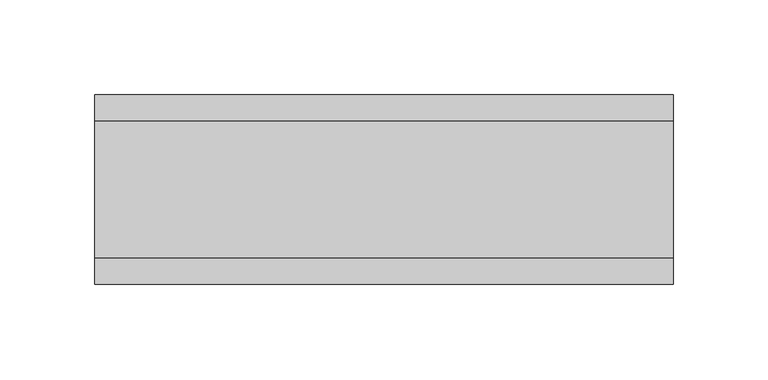
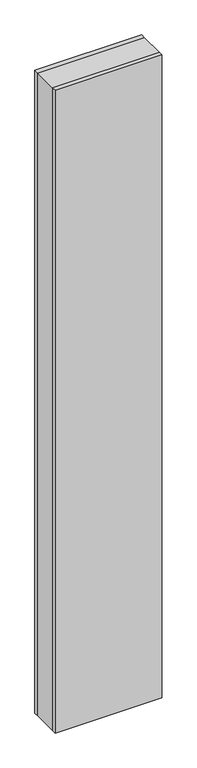
"""IFC4 building model written with IfcOpenShell, lengths in millimetres: plate geometry."""

from ifc_helpers import new_model, si_unit, origin, origin_with_axes, place, context, project, spatial, polyline, outline, extrude, source, transform, mapped, element, save


def plate_320ef5da(model_context):
    return source(origin(), model_context, "Body", "SweptSolid", [
        extrude(outline(polyline([(152.6777546, 36.0), (152.6777546, -36.0), (-152.6777546, -36.0), (-152.6777546, 36.0), (152.6777546, 36.0)])), origin_with_axes(), (0.0, 0.0, 1.0), 1943.6971514),
        extrude(outline(polyline([(152.6777546, 50.0), (152.6777546, 36.0), (-152.6777546, 36.0), (-152.6777546, 50.0), (152.6777546, 50.0)])), origin_with_axes(), (0.0, 0.0, 1.0), 1943.6971514),
        extrude(outline(polyline([(152.6777546, -36.0), (152.6777546, -50.0), (-152.6777546, -50.0), (-152.6777546, -36.0), (152.6777546, -36.0)])), origin_with_axes(), (0.0, 0.0, 1.0), 1943.6971514),
    ])


if __name__ == "__main__":
    model = new_model("IFC4")
    model_context = context("Model", 3, world=origin())
    ifc_project = project(units=[si_unit("LENGTHUNIT", "METRE", prefix="MILLI")], contexts=[model_context])
    site = spatial("IfcSite", under=ifc_project)
    building = spatial("IfcBuilding", under=site)
    placement = place(None, origin())
    plate_shape = plate_320ef5da(model_context)
    element("IfcPlate", 1, at=placement, inside=building, context=model_context, shape_type="MappedRepresentation", body=[
        mapped(plate_shape, transform((0.0, 0.0, 0.0), x_axis=(1.0, 0.0, 0.0), y_axis=(0.0, 1.0, 0.0), z_axis=(0.0, 0.0, 1.0))),
    ])
    save(model, "model.ifc")
